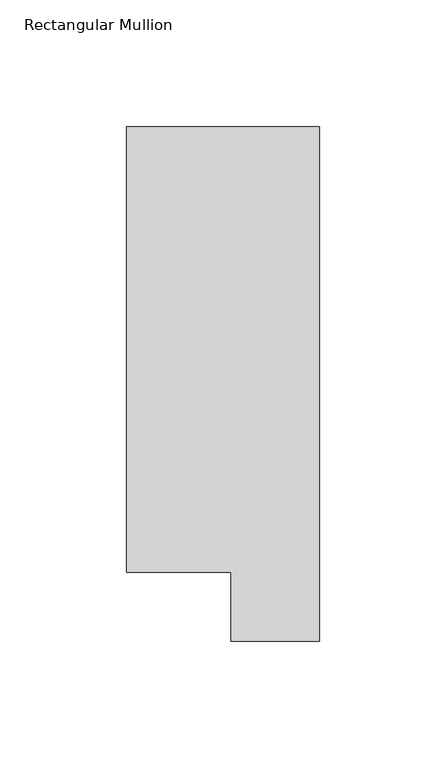
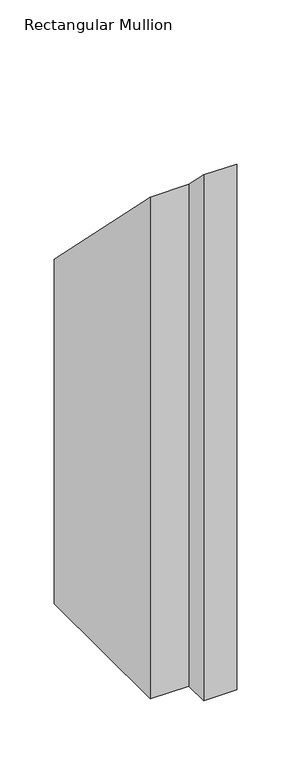
"""IFC4 building model written with IfcOpenShell, lengths in millimetres: member geometry, Rectangular Mullion."""

from ifc_helpers import new_model, si_unit, origin, place, context, project, spatial, faceted_brep, source, transform, mapped, element, save


def rectangular_mullion_88753f95(model_context):
    return source(origin(), model_context, "Body", "Brep", [
        faceted_brep([(0.0, 222.5381312, -609.6), (0.0, 19.5667312, -609.6), (-34.9123, 19.5667312, -609.6), (-34.9123, 46.7447302, -609.6), (-76.2, 46.7447302, -609.6), (-76.2, 222.5381312, -609.6), (-76.2, 222.5381312, -222.5381312), (0.0, 222.5381312, -222.5381312), (-76.2, 46.7447302, -46.7447302), (-34.9123, 46.7447302, -46.7447302), (-34.9123, 19.5667312, -19.5667312), (0.0, 19.5667312, -19.5667312)], [[[0, 1, 2, 3, 4, 5]], [[6, 7, 0, 5]], [[8, 6, 5, 4]], [[9, 8, 4, 3]], [[10, 9, 3, 2]], [[11, 10, 2, 1]], [[7, 11, 1, 0]], [[7, 6, 8, 9, 10, 11]]]),
    ])


if __name__ == "__main__":
    model = new_model("IFC4")
    model_context = context("Model", 3, world=origin())
    ifc_project = project(units=[si_unit("LENGTHUNIT", "METRE", prefix="MILLI")], contexts=[model_context])
    site = spatial("IfcSite", under=ifc_project)
    building = spatial("IfcBuilding", under=site)
    placement = place(None, origin())
    rectangular_mullion_shape = rectangular_mullion_88753f95(model_context)
    element("IfcMember", 1, ObjectType="Rectangular Mullion", at=placement, inside=building, context=model_context, shape_type="MappedRepresentation", body=[
        mapped(rectangular_mullion_shape, transform((0.0, 0.0, 0.0), x_axis=(1.0, 0.0, 0.0), y_axis=(0.0, 1.0, 0.0), z_axis=(0.0, 0.0, 1.0))),
    ])
    save(model, "model.ifc")
